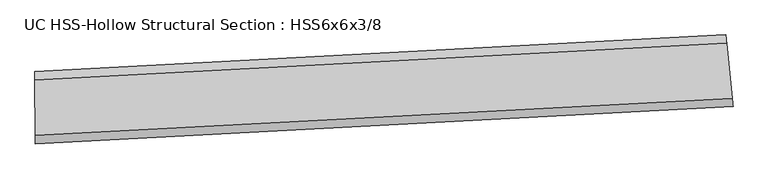
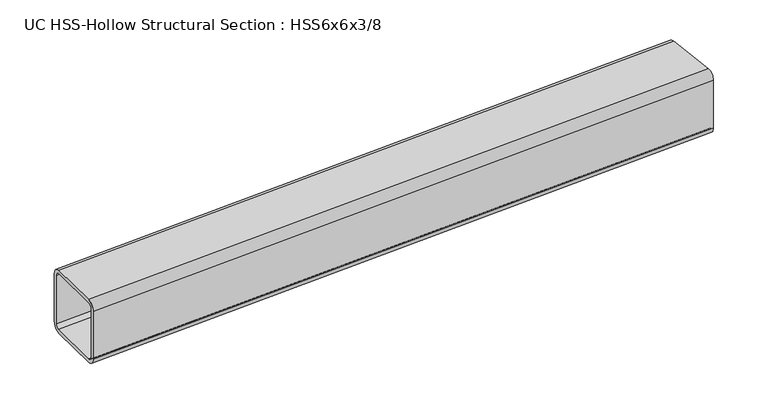
"""IFC4 building model written with IfcOpenShell, lengths in millimetres: beam geometry, UC HSS-Hollow Structural Section : HSS6x6x3/8."""

from ifc_helpers import new_model, si_unit, point, frame, origin, place, context, project, spatial, polyline, circle_curve, ellipse_curve, trimmed, source, transform, mapped, element, save
from ifc_brep_helpers import plane_surface, cylinder_surface, revolved_surface, advanced_brep


def uc_hss_hollow_structural_section_hss6x6x3_8_c9b852aa(model_context):
    return source(origin(), model_context, "Body", "AdvancedBrep", [
        advanced_brep(
        [(1552.1029288, 2.3599758, 58.4708), (1552.1029288, 2.3599758, -58.4708), (1550.3127816, 19.9985671, -76.2), (1538.5049906, 136.3425136, -76.2), (1536.7148434, 153.981105, -58.4708), (1536.7148434, 153.981105, 58.4708), (1538.5049906, 136.3425136, 76.2), (1550.3127816, 19.9985671, 76.2), (1538.5049906, 136.3425136, 67.3354), (1537.609917, 145.1618093, 58.4708), (1537.609917, 145.1618093, -58.4708), (1538.5049906, 136.3425136, -67.3354), (1550.3127816, 19.9985671, -67.3354), (1551.2078552, 11.1792714, -58.4708), (1551.2078552, 11.1792714, 58.4708), (1550.3127816, 19.9985671, 67.3354), (82.9545914, -75.9761624, 58.4708), (82.8589141, -58.2472205, 76.2), (82.2278281, 58.6926766, 76.2), (82.1321509, 76.4216184, 58.4708), (82.1321509, 76.4216184, -58.4708), (82.2278281, 58.6926766, -76.2), (82.8589141, -58.2472205, -76.2), (82.9545914, -75.9761624, -58.4708), (82.2278281, 58.6926766, 67.3354), (82.8589141, -58.2472205, 67.3354), (82.9067528, -67.1116914, 58.4708), (82.9067528, -67.1116914, -58.4708), (82.8589141, -58.2472205, -67.3354), (82.2278281, 58.6926766, -67.3354), (82.1799895, 67.5571475, -58.4708), (82.1799895, 67.5571475, 58.4708)],
        [
            (0, 1),
            (1, 2, circle_curve(frame((1550.3127816, 19.9985671, -58.4708), z_axis=(0.9948892993288404, 0.10097168950240025, 0.0), x_axis=(-0.10097168950240025, 0.9948892993288404, 0.0)), 17.7292)),
            (2, 3),
            (3, 4, circle_curve(frame((1538.5049906, 136.3425136, -58.4708), z_axis=(0.9948892993288404, 0.10097168950240025, 0.0), x_axis=(-0.10097168950240025, 0.9948892993288404, 0.0)), 17.7292)),
            (4, 5),
            (5, 6, circle_curve(frame((1538.5049906, 136.3425136, 58.4708), z_axis=(0.9948892993288404, 0.10097168950240025, 0.0), x_axis=(-0.10097168950240025, 0.9948892993288404, 0.0)), 17.7292)),
            (6, 7),
            (7, 0, circle_curve(frame((1550.3127816, 19.9985671, 58.4708), z_axis=(0.9948892993288404, 0.10097168950240025, 0.0), x_axis=(-0.10097168950240025, 0.9948892993288404, 0.0)), 17.7292)),
            (8, 9, circle_curve(frame((1538.5049906, 136.3425136, 58.4708), z_axis=(-0.9948892993288404, -0.10097168950240025, 0.0), x_axis=(-0.10097168950240025, 0.9948892993288404, 0.0)), 8.8646)),
            (9, 10),
            (10, 11, circle_curve(frame((1538.5049906, 136.3425136, -58.4708), z_axis=(-0.9948892993288404, -0.10097168950240025, 0.0), x_axis=(-0.10097168950240025, 0.9948892993288404, 0.0)), 8.8646)),
            (11, 12),
            (12, 13, circle_curve(frame((1550.3127816, 19.9985671, -58.4708), z_axis=(-0.9948892993288404, -0.10097168950240025, 0.0), x_axis=(-0.10097168950240025, 0.9948892993288404, 0.0)), 8.8646)),
            (13, 14),
            (14, 15, circle_curve(frame((1550.3127816, 19.9985671, 58.4708), z_axis=(-0.9948892993288404, -0.10097168950240025, 0.0), x_axis=(-0.10097168950240025, 0.9948892993288404, 0.0)), 8.8646)),
            (15, 8),
            (16, 17, circle_curve(frame((82.8589141, -58.2472205, 58.4708), z_axis=(-0.9999854382948643, -0.00539659135270415, 0.0), x_axis=(-0.00539659135270415, 0.9999854382948643, 0.0)), 17.7292)),
            (17, 18),
            (18, 19, circle_curve(frame((82.2278281, 58.6926766, 58.4708), z_axis=(-0.9999854382948643, -0.00539659135270415, 0.0), x_axis=(-0.00539659135270415, 0.9999854382948643, 0.0)), 17.7292)),
            (19, 20),
            (20, 21, circle_curve(frame((82.2278281, 58.6926766, -58.4708), z_axis=(-0.9999854382948643, -0.00539659135270415, 0.0), x_axis=(-0.00539659135270415, 0.9999854382948643, 0.0)), 17.7292)),
            (21, 22),
            (22, 23, circle_curve(frame((82.8589141, -58.2472205, -58.4708), z_axis=(-0.9999854382948643, -0.00539659135270415, 0.0), x_axis=(-0.00539659135270415, 0.9999854382948643, 0.0)), 17.7292)),
            (23, 16),
            (24, 25),
            (25, 26, circle_curve(frame((82.8589141, -58.2472205, 58.4708), z_axis=(0.9999854382948643, 0.00539659135270415, 0.0), x_axis=(-0.00539659135270415, 0.9999854382948643, 0.0)), 8.8646)),
            (26, 27),
            (27, 28, circle_curve(frame((82.8589141, -58.2472205, -58.4708), z_axis=(0.9999854382948643, 0.00539659135270415, 0.0), x_axis=(-0.00539659135270415, 0.9999854382948643, 0.0)), 8.8646)),
            (28, 29),
            (29, 30, circle_curve(frame((82.2278281, 58.6926766, -58.4708), z_axis=(0.9999854382948643, 0.00539659135270415, 0.0), x_axis=(-0.00539659135270415, 0.9999854382948643, 0.0)), 8.8646)),
            (30, 31),
            (31, 24, circle_curve(frame((82.2278281, 58.6926766, 58.4708), z_axis=(0.9999854382948643, 0.00539659135270415, 0.0), x_axis=(-0.00539659135270415, 0.9999854382948643, 0.0)), 8.8646)),
            (7, 17, circle_curve(frame((0.0, 15295.4644388, 76.2), z_axis=(0.0, 0.0, -1.0), x_axis=(-0.22398465108488255, 0.9745926718780433, 0.0)), 15353.9352388)),
            (16, 0, circle_curve(frame((0.0, 15295.4644388, 58.4708), z_axis=(0.0, 0.0, 1.0), x_axis=(-0.22398465108488255, 0.9745926718780433, 0.0)), 15371.6644388)),
            (6, 18, circle_curve(frame((0.0, 15295.4644388, 76.2), z_axis=(0.0, 0.0, -1.0), x_axis=(-0.22398465108488255, 0.9745926718780433, 0.0)), 15236.9936388)),
            (5, 19, circle_curve(frame((0.0, 15295.4644388, 58.4708), z_axis=(0.0, 0.0, -1.0), x_axis=(-0.22398465108488255, 0.9745926718780433, 0.0)), 15219.2644388)),
            (4, 20, circle_curve(frame((0.0, 15295.4644388, -58.4708), z_axis=(0.0, 0.0, -1.0), x_axis=(-0.22398465108488255, 0.9745926718780433, 0.0)), 15219.2644388)),
            (3, 21, circle_curve(frame((0.0, 15295.4644388, -76.2), z_axis=(0.0, 0.0, -1.0), x_axis=(-0.22398465108488255, 0.9745926718780433, 0.0)), 15236.9936388)),
            (2, 22, circle_curve(frame((0.0, 15295.4644388, -76.2), z_axis=(0.0, 0.0, -1.0), x_axis=(-0.22398465108488255, 0.9745926718780433, 0.0)), 15353.9352388)),
            (1, 23, circle_curve(frame((0.0, 15295.4644388, -58.4708), z_axis=(0.0, 0.0, -1.0), x_axis=(-0.22398465108488255, 0.9745926718780433, 0.0)), 15371.6644388)),
            (15, 25, circle_curve(frame((0.0, 15295.4644388, 67.3354), z_axis=(0.0, 0.0, -1.0), x_axis=(-0.22398465108488255, 0.9745926718780433, 0.0)), 15353.9352388)),
            (24, 8, circle_curve(frame((0.0, 15295.4644388, 67.3354), z_axis=(0.0, 0.0, 1.0), x_axis=(-0.22398465108488255, 0.9745926718780433, 0.0)), 15236.9936388)),
            (14, 26, circle_curve(frame((0.0, 15295.4644388, 58.4708), z_axis=(0.0, 0.0, -1.0), x_axis=(-0.22398465108488255, 0.9745926718780433, 0.0)), 15362.7998388)),
            (13, 27, circle_curve(frame((0.0, 15295.4644388, -58.4708), z_axis=(0.0, 0.0, -1.0), x_axis=(-0.22398465108488255, 0.9745926718780433, 0.0)), 15362.7998388)),
            (12, 28, circle_curve(frame((0.0, 15295.4644388, -67.3354), z_axis=(0.0, 0.0, -1.0), x_axis=(-0.22398465108488255, 0.9745926718780433, 0.0)), 15353.9352388)),
            (11, 29, circle_curve(frame((0.0, 15295.4644388, -67.3354), z_axis=(0.0, 0.0, -1.0), x_axis=(-0.22398465108488255, 0.9745926718780433, 0.0)), 15236.9936388)),
            (10, 30, circle_curve(frame((0.0, 15295.4644388, -58.4708), z_axis=(0.0, 0.0, -1.0), x_axis=(-0.22398465108488255, 0.9745926718780433, 0.0)), 15228.1290388)),
            (9, 31, circle_curve(frame((0.0, 15295.4644388, 58.4708), z_axis=(0.0, 0.0, -1.0), x_axis=(-0.22398465108488255, 0.9745926718780433, 0.0)), 15228.1290388)),
        ],
        [
            plane_surface(frame((1544.4088861, 78.1705404, 0.0), z_axis=(0.9948892993288397, 0.10097168950240666, 0.0), x_axis=(0.0, 0.0, 1.0))),
            plane_surface(frame((82.5433711, 0.222728, 0.0), z_axis=(-0.9999854382948643, -0.005396591352710589, 0.0), x_axis=(0.0, 0.0, 1.0))),
            revolved_surface(trimmed(ellipse_curve(frame((-3439.0458272, 30259.297207, 58.4708), z_axis=(-0.9745926718780448, -0.22398465108487625, 0.0), x_axis=(0.22398465108487625, -0.9745926718780448, 0.0)), 17.7292, 17.7292), [point((-3439.0458272, 30259.297207, 76.2))], [point((-3443.0168959, 30276.5759554, 58.4708))], True, "CARTESIAN"), (0.0, 15295.4644388, 0.0), (0.0, 0.0, -1.0)),
            plane_surface(frame((0.0, 15295.4644388, 76.2), z_axis=(0.0, 0.0, 1.0), x_axis=(-0.22398465108488255, 0.9745926718780433, 0.0))),
            revolved_surface(trimmed(ellipse_curve(frame((-3412.8527038, 30145.3267806, 58.4708), z_axis=(-0.9745926718780448, -0.22398465108487625, 0.0), x_axis=(0.22398465108487625, -0.9745926718780448, 0.0)), 17.7292, 17.7292), [point((-3408.8816351, 30128.0480322, 58.4708))], [point((-3412.8527038, 30145.3267806, 76.2))], True, "CARTESIAN"), (0.0, 15295.4644388, 0.0), (0.0, 0.0, -1.0)),
            revolved_surface(polyline([(-3408.881635093179, 30128.04803222858, -58.4708), (-3408.881635093179, 30128.04803222858, 58.4708)]), (0.0, 15295.4644388, 0.0), (0.0, 0.0, -1.0)),
            revolved_surface(trimmed(ellipse_curve(frame((-3412.8527038, 30145.3267806, -58.4708), z_axis=(-0.9745926718780448, -0.22398465108487625, 0.0), x_axis=(0.22398465108487625, -0.9745926718780448, 0.0)), 17.7292, 17.7292), [point((-3412.8527038, 30145.3267806, -76.2))], [point((-3408.8816351, 30128.0480322, -58.4708))], True, "CARTESIAN"), (0.0, 15295.4644388, 0.0), (0.0, 0.0, -1.0)),
            plane_surface(frame((0.0, 15295.4644388, -76.2), z_axis=(0.0, 0.0, -1.0), x_axis=(-0.22398465108488255, 0.9745926718780433, 0.0))),
            revolved_surface(trimmed(ellipse_curve(frame((-3439.0458272, 30259.297207, -58.4708), z_axis=(-0.9745926718780448, -0.22398465108487625, 0.0), x_axis=(0.22398465108487625, -0.9745926718780448, 0.0)), 17.7292, 17.7292), [point((-3443.0168959, 30276.5759554, -58.4708))], [point((-3439.0458272, 30259.297207, -76.2))], True, "CARTESIAN"), (0.0, 15295.4644388, 0.0), (0.0, 0.0, -1.0)),
            cylinder_surface(frame((0.0, 15295.4644388, 0.0), z_axis=(0.0, 0.0, -1.0), x_axis=(-0.22398465108488255, 0.9745926718780433, 0.0)), 15371.6644388),
            plane_surface(frame((0.0, 15295.4644388, 67.3354), z_axis=(0.0, 0.0, -1.0), x_axis=(-0.22398465108488255, 0.9745926718780433, 0.0))),
            revolved_surface(trimmed(ellipse_curve(frame((-3439.0458272, 30259.297207, 58.4708), z_axis=(0.9745926718780448, 0.22398465108487625, 0.0), x_axis=(0.22398465108487625, -0.9745926718780448, 0.0)), 8.8646, 8.8646), [point((-3441.0313616, 30267.9365812, 58.4708))], [point((-3439.0458272, 30259.297207, 67.3354))], True, "CARTESIAN"), (0.0, 15295.4644388, 0.0), (0.0, 0.0, -1.0)),
            revolved_surface(polyline([(-3441.031361580508, 30267.936581223665, -58.4708), (-3441.031361580508, 30267.936581223665, 58.4708)]), (0.0, 15295.4644388, 0.0), (0.0, 0.0, -1.0)),
            revolved_surface(trimmed(ellipse_curve(frame((-3439.0458272, 30259.297207, -58.4708), z_axis=(0.9745926718780448, 0.22398465108487625, 0.0), x_axis=(0.22398465108487625, -0.9745926718780448, 0.0)), 8.8646, 8.8646), [point((-3439.0458272, 30259.297207, -67.3354))], [point((-3441.0313616, 30267.9365812, -58.4708))], True, "CARTESIAN"), (0.0, 15295.4644388, 0.0), (0.0, 0.0, -1.0)),
            plane_surface(frame((0.0, 15295.4644388, -67.3354), z_axis=(0.0, 0.0, 1.0), x_axis=(-0.22398465108488255, 0.9745926718780433, 0.0))),
            revolved_surface(trimmed(ellipse_curve(frame((-3412.8527038, 30145.3267806, -58.4708), z_axis=(0.9745926718780448, 0.22398465108487625, 0.0), x_axis=(0.22398465108487625, -0.9745926718780448, 0.0)), 8.8646, 8.8646), [point((-3410.8671694, 30136.6874064, -58.4708))], [point((-3412.8527038, 30145.3267806, -67.3354))], True, "CARTESIAN"), (0.0, 15295.4644388, 0.0), (0.0, 0.0, -1.0)),
            cylinder_surface(frame((0.0, 15295.4644388, 0.0), z_axis=(0.0, 0.0, -1.0), x_axis=(-0.22398465108488255, 0.9745926718780433, 0.0)), 15228.1290388),
            revolved_surface(trimmed(ellipse_curve(frame((-3412.8527038, 30145.3267806, 58.4708), z_axis=(0.9745926718780448, 0.22398465108487625, 0.0), x_axis=(0.22398465108487625, -0.9745926718780448, 0.0)), 8.8646, 8.8646), [point((-3412.8527038, 30145.3267806, 67.3354))], [point((-3410.8671694, 30136.6874064, 58.4708))], True, "CARTESIAN"), (0.0, 15295.4644388, 0.0), (0.0, 0.0, -1.0)),
        ],
        [
            (0, [[1, 2, 3, 4, 5, 6, 7, 8], [9, 10, 11, 12, 13, 14, 15, 16]]),
            (1, [[17, 18, 19, 20, 21, 22, 23, 24], [25, 26, 27, 28, 29, 30, 31, 32]]),
            (2, [[33, -17, 34, -8]]),
            (3, [[35, -18, -33, -7]]),
            (4, [[36, -19, -35, -6]]),
            (5, [[37, -20, -36, -5]]),
            (6, [[38, -21, -37, -4]]),
            (7, [[39, -22, -38, -3]]),
            (8, [[40, -23, -39, -2]]),
            (9, [[-34, -24, -40, -1]]),
            (10, [[41, -25, 42, -16]]),
            (11, [[43, -26, -41, -15]]),
            (12, [[44, -27, -43, -14]]),
            (13, [[45, -28, -44, -13]]),
            (14, [[46, -29, -45, -12]]),
            (15, [[47, -30, -46, -11]]),
            (16, [[48, -31, -47, -10]]),
            (17, [[-42, -32, -48, -9]]),
        ],
    ),
    ])


if __name__ == "__main__":
    model = new_model("IFC4")
    model_context = context("Model", 3, world=origin())
    ifc_project = project(units=[si_unit("LENGTHUNIT", "METRE", prefix="MILLI")], contexts=[model_context])
    site = spatial("IfcSite", under=ifc_project)
    building = spatial("IfcBuilding", under=site)
    placement = place(None, origin())
    uc_hss_hollow_structural_section_hss6x6x3_8_shape = uc_hss_hollow_structural_section_hss6x6x3_8_c9b852aa(model_context)
    element("IfcBeam", 1, ObjectType="UC HSS-Hollow Structural Section : HSS6x6x3/8", at=placement, inside=building, context=model_context, shape_type="MappedRepresentation", body=[
        mapped(uc_hss_hollow_structural_section_hss6x6x3_8_shape, transform((0.0, 0.0, 0.0), x_axis=(1.0, 0.0, 0.0), y_axis=(0.0, 1.0, 0.0), z_axis=(0.0, 0.0, 1.0))),
    ])
    save(model, "model.ifc")
